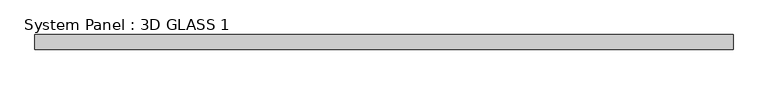
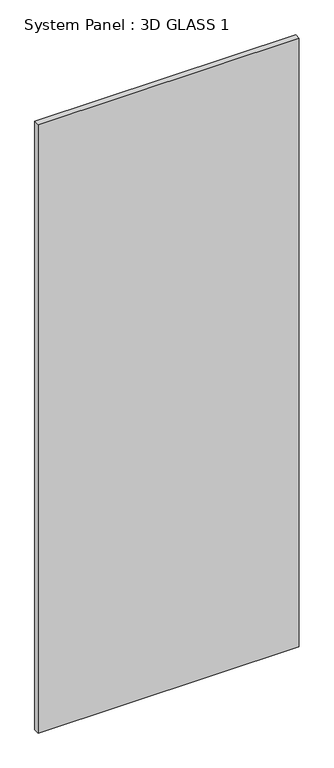
"""IFC4 building model written with IfcOpenShell, lengths in millimetres: plate geometry, System Panel : 3D GLASS 1."""

from ifc_helpers import new_model, si_unit, origin, origin_with_axes, place, context, project, spatial, polyline, outline, extrude, source, transform, mapped, element, save


def system_panel_3d_glass_1_7255527f(model_context):
    return source(origin(), model_context, "Body", "SweptSolid", [
        extrude(outline(polyline([(593.328125, -12.7), (-593.328125, -12.7), (-593.328125, 12.7), (593.328125, 12.7), (593.328125, -12.7)])), origin_with_axes(), (0.0, 0.0, 1.0), 2921.0),
    ])


if __name__ == "__main__":
    model = new_model("IFC4")
    model_context = context("Model", 3, world=origin())
    ifc_project = project(units=[si_unit("LENGTHUNIT", "METRE", prefix="MILLI")], contexts=[model_context])
    site = spatial("IfcSite", under=ifc_project)
    building = spatial("IfcBuilding", under=site)
    placement = place(None, origin())
    system_panel_3d_glass_1_shape = system_panel_3d_glass_1_7255527f(model_context)
    element("IfcPlate", 1, ObjectType="System Panel : 3D GLASS 1", at=placement, inside=building, context=model_context, shape_type="MappedRepresentation", body=[
        mapped(system_panel_3d_glass_1_shape, transform((0.0, 0.0, 0.0), x_axis=(1.0, 0.0, 0.0), y_axis=(0.0, 1.0, 0.0), z_axis=(0.0, 0.0, 1.0))),
    ])
    save(model, "model.ifc")
